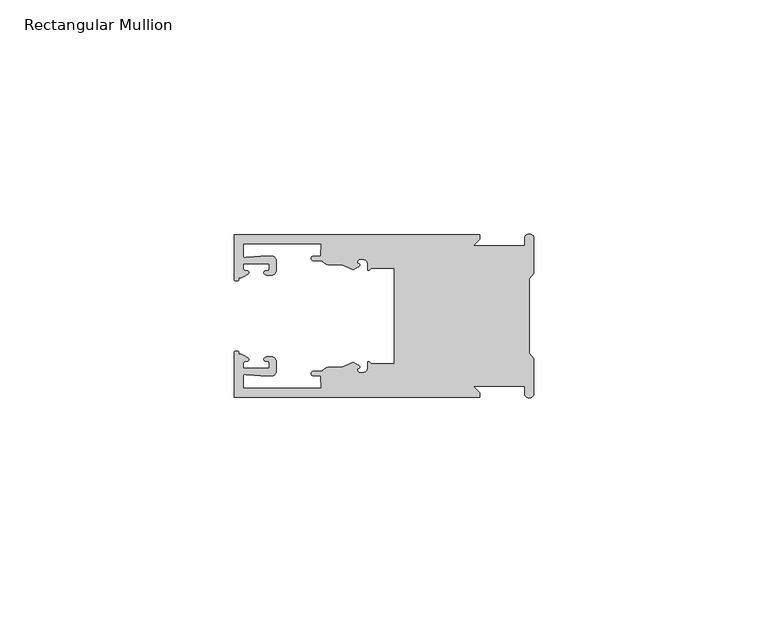
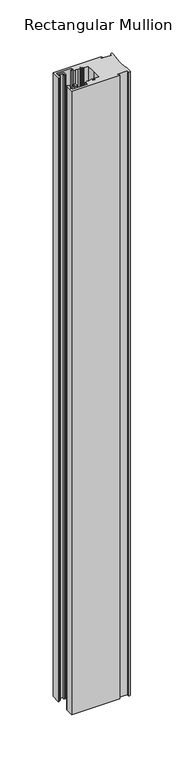
"""IFC4 building model written with IfcOpenShell, lengths in millimetres: member geometry, Rectangular Mullion."""

import ifcopenshell
import ifcopenshell.guid

model = None  # the IFC model being written
_history = None  # IfcOwnerHistory: only IFC2X3 demands one
_inside = {}  # id of a spatial element -> (the spatial element, [elements in it])
_under = {}  # id of a project, library or spatial element -> (it, [spatial elements below it])
_declared = {}  # id of a project -> (the project, [libraries it declares])
_typed = {}  # id of a type object -> (the type object, [elements of that type])
_made_of = {}  # id of a material, layer set ... -> (it, [elements and type objects made of it])


def new_model(schema):
    """Start an empty IFC model of exactly this schema.

    Asked for "IFC4X3", IfcOpenShell would pick the latest addendum, in which some entities
    have other attributes; the version numbers below select the first issue.
    IFC2X3 requires an IfcOwnerHistory on every rooted entity: one is made here for all.
    """
    global model, _history
    if schema == "IFC4X3":
        model = ifcopenshell.file(schema_version=(4, 3, 0, 0))
    else:
        model = ifcopenshell.file(schema=schema)
    _inside.clear()
    _under.clear()
    _declared.clear()
    _typed.clear()
    _made_of.clear()
    _history = None
    if model.schema == "IFC2X3":
        org = make("IfcOrganization", Name="unknown")
        user = make(
            "IfcPersonAndOrganization",
            ThePerson=make("IfcPerson", FamilyName="unknown"),
            TheOrganization=org,
        )
        app = make(
            "IfcApplication",
            ApplicationDeveloper=org,
            Version="unknown",
            ApplicationFullName="unknown",
            ApplicationIdentifier="unknown",
        )
        _history = make(
            "IfcOwnerHistory",
            OwningUser=user,
            OwningApplication=app,
            ChangeAction="ADDED",
            CreationDate=0,
        )
    return model


def make(cls, **values):
    """One entity of the class cls with the attributes given. An attribute that is None is left unset."""
    return model.create_entity(
        cls, **{name: value for name, value in values.items() if value is not None}
    )


def rooted(cls, **values):
    """An entity with a GlobalId (a new one), such as an element, a storey or a relation."""
    return make(cls, GlobalId=ifcopenshell.guid.new(), OwnerHistory=_history, **values)


def si_unit(unit_type, name, prefix=None):
    """IfcSIUnit, for example si_unit("LENGTHUNIT", "METRE", prefix="MILLI")."""
    return make("IfcSIUnit", UnitType=unit_type, Prefix=prefix, Name=name)


def assignment(units):
    """IfcUnitAssignment: the units of a project."""
    return None if units is None else make("IfcUnitAssignment", Units=units)


def point(xyz):
    """IfcCartesianPoint."""
    return None if xyz is None else make("IfcCartesianPoint", Coordinates=xyz)


def direction(xyz):
    """IfcDirection."""
    return None if xyz is None else make("IfcDirection", DirectionRatios=xyz)


def frame(location, z_axis=None, x_axis=None):
    """IfcAxis2Placement3D, a coordinate frame: its origin and axes. An axis left out is left unset."""
    return make(
        "IfcAxis2Placement3D",
        Location=point(location),
        Axis=direction(z_axis),
        RefDirection=direction(x_axis),
    )


def origin():
    """The frame at (0, 0, 0) with its axes left unset."""
    return frame((0.0, 0.0, 0.0))


def place(relative_to, where):
    """IfcLocalPlacement: puts the frame where relative to a parent placement (None: the world)."""
    return make(
        "IfcLocalPlacement", PlacementRelTo=relative_to, RelativePlacement=where
    )


def context(
    kind, dimensions, precision=None, world=None, true_north=None, identifier=None
):
    """IfcGeometricRepresentationContext, for example the 3D "Model" context."""
    return make(
        "IfcGeometricRepresentationContext",
        ContextIdentifier=identifier,
        ContextType=kind,
        CoordinateSpaceDimension=dimensions,
        Precision=precision,
        WorldCoordinateSystem=world,
        TrueNorth=true_north,
    )


def project(units=None, contexts=None):
    """IfcProject with its units and contexts."""
    return rooted(
        "IfcProject",
        Name="project",
        RepresentationContexts=contexts,
        UnitsInContext=assignment(units),
    )


def spatial(cls, under=None, at=None, **own):
    """A site, building, storey or space (cls), placed at a placement, below another one or the project."""
    s = rooted(cls, ObjectPlacement=at, **own)
    if under is not None:
        _under.setdefault(under.id(), (under, []))[1].append(s)
    return s


def polyline(points):
    """IfcPolyline through the points."""
    return make("IfcPolyline", Points=[point(p) for p in points])


def circle_curve(where, radius):
    """IfcCircle in the frame where."""
    return make("IfcCircle", Position=where, Radius=radius)


def shape(context_of_items, identifier, shape_type, items):
    """IfcShapeRepresentation: the items that make up one representation, for example the "Body"."""
    return make(
        "IfcShapeRepresentation",
        ContextOfItems=context_of_items,
        RepresentationIdentifier=identifier,
        RepresentationType=shape_type,
        Items=items,
    )


def source(mapping_origin, context_of_items, identifier, shape_type, items):
    """IfcRepresentationMap: a shape defined once, which mapped items show again and again."""
    return make(
        "IfcRepresentationMap",
        MappingOrigin=mapping_origin,
        MappedRepresentation=shape(context_of_items, identifier, shape_type, items),
    )


def transform(
    local_origin,
    x_axis=None,
    y_axis=None,
    z_axis=None,
    scale=None,
    scale2=None,
    scale3=None,
    uniform=True,
):
    """IfcCartesianTransformationOperator3D, or its non-uniform kind. x_axis, y_axis, z_axis: its Axis1, 2, 3."""
    if uniform:
        return make(
            "IfcCartesianTransformationOperator3D",
            Axis1=direction(x_axis),
            Axis2=direction(y_axis),
            LocalOrigin=point(local_origin),
            Scale=scale,
            Axis3=direction(z_axis),
        )
    return make(
        "IfcCartesianTransformationOperator3DnonUniform",
        Axis1=direction(x_axis),
        Axis2=direction(y_axis),
        LocalOrigin=point(local_origin),
        Scale=scale,
        Axis3=direction(z_axis),
        Scale2=scale2,
        Scale3=scale3,
    )


def mapped(mapping_source, mapping_target):
    """IfcMappedItem: shows the shape of a source again, moved by a transform."""
    return make(
        "IfcMappedItem", MappingSource=mapping_source, MappingTarget=mapping_target
    )


def made_of(thing, what):
    """Note that an element or type object is made of a material, layer set ...; save() writes the relation."""
    if what is not None:
        _made_of.setdefault(what.id(), (what, []))[1].append(thing)
    return thing


def element(
    cls,
    number,
    at=None,
    inside=None,
    cuts=None,
    type_object=None,
    material=None,
    context=None,
    identifier="Body",
    shape_type=None,
    held_by="IfcProductDefinitionShape",
    body=None,
    shapes=None,
    **own,
):
    """One element of the class cls, such as IfcWall. Its Tag is "e" and its number.

    at: its placement. inside: the storey or other place that contains it. cuts: it is an
    opening in that element (IfcRelVoidsElement). A single representation is given by context,
    identifier, shape_type and body (its items); several are given by shapes. held_by: the class
    of the entity that holds the representations. save() writes the other relations.
    """
    e = rooted(cls, Tag="e%d" % number, ObjectPlacement=at, **own)
    if body is not None:
        shapes = [shape(context, identifier, shape_type, body)]
    if shapes is not None:
        e.Representation = make(held_by, Representations=shapes)
    if inside is not None:
        _inside.setdefault(inside.id(), (inside, []))[1].append(e)
    if cuts is not None:
        rooted(
            "IfcRelVoidsElement", RelatingBuildingElement=cuts, RelatedOpeningElement=e
        )
    if type_object is not None:
        _typed.setdefault(type_object.id(), (type_object, []))[1].append(e)
    return made_of(e, material)


def aggregate(whole, parts):
    """IfcRelAggregates: a whole, such as a stair, and the parts it consists of."""
    return rooted("IfcRelAggregates", RelatingObject=whole, RelatedObjects=parts)


def save(model, path):
    """Write the relations noted so far, then the file.

    IfcRelAggregates (storeys below a building ...), IfcRelContainedInSpatialStructure (elements
    in a storey), IfcRelDefinesByType, IfcRelAssociatesMaterial and IfcRelDeclares: one each for
    every whole, place, type object, material and project.
    """
    for whole, parts in _under.values():
        aggregate(whole, parts)
    for where, things in _inside.values():
        rooted(
            "IfcRelContainedInSpatialStructure",
            RelatedElements=things,
            RelatingStructure=where,
        )
    for kind, things in _typed.values():
        rooted("IfcRelDefinesByType", RelatedObjects=things, RelatingType=kind)
    for what, things in _made_of.values():
        rooted("IfcRelAssociatesMaterial", RelatedObjects=things, RelatingMaterial=what)
    for by, libraries in _declared.values():
        rooted("IfcRelDeclares", RelatingContext=by, RelatedDefinitions=libraries)
    model.write(path)


def plane_surface(at):
    """IfcPlane: the flat surface through the origin of the frame at, square to its z axis."""
    return make("IfcPlane", Position=at)


def cylinder_surface(at, radius):
    """IfcCylindricalSurface: all points at the distance radius from the z axis of the frame at."""
    return make("IfcCylindricalSurface", Position=at, Radius=radius)


def revolved_surface(curve, axis_point, axis_direction):
    """IfcSurfaceOfRevolution: the curve turned about the line through axis_point along axis_direction."""
    return make(
        "IfcSurfaceOfRevolution",
        SweptCurve=make("IfcArbitraryOpenProfileDef", ProfileType="CURVE", Curve=curve),
        AxisPosition=make("IfcAxis1Placement", Location=point(axis_point), Axis=direction(axis_direction)),
    )


def extruded_surface(curve, direction_of_extrusion, depth):
    """IfcSurfaceOfLinearExtrusion: the curve pushed along a direction by depth."""
    return make(
        "IfcSurfaceOfLinearExtrusion",
        SweptCurve=make("IfcArbitraryOpenProfileDef", ProfileType="CURVE", Curve=curve),
        ExtrudedDirection=direction(direction_of_extrusion),
        Depth=depth,
    )


def spline_curve(degree, points, multiplicities, knots, weights=None):
    """IfcBSplineCurveWithKnots; with weights, IfcRationalBSplineCurveWithKnots."""
    own = dict(
        Degree=degree,
        ControlPointsList=[point(p) for p in points],
        CurveForm="UNSPECIFIED",
        ClosedCurve=False,
        SelfIntersect=False,
        KnotMultiplicities=multiplicities,
        Knots=knots,
        KnotSpec="UNSPECIFIED",
    )
    if weights is None:
        return make("IfcBSplineCurveWithKnots", **own)
    return make("IfcRationalBSplineCurveWithKnots", WeightsData=weights, **own)


def advanced_brep(points, edges, surfaces, faces):
    """IfcAdvancedBrep: a solid bounded by faces that lie on surfaces and meet in shared edges.

    An edge is (start, end): straight between two places in points (the first is 0);
    or (start, end, curve); or (start, end, curve, False) where it runs against its curve.
    A face is (place in surfaces, loops), or (place, loops, False) where it looks against
    its surface's normal. A loop lists edges by number (the first is 1), with a minus sign
    where the edge is run from its end to its start. The first loop is the outer one.
    """
    corners = [point(p) for p in points]
    vertices = [make("IfcVertexPoint", VertexGeometry=c) for c in corners]
    made = []
    for start, end, *more in edges:
        made.append(
            make(
                "IfcEdgeCurve",
                EdgeStart=vertices[start],
                EdgeEnd=vertices[end],
                EdgeGeometry=more[0] if more else make("IfcPolyline", Points=[corners[start], corners[end]]),
                SameSense=more[1] if len(more) > 1 else True,
            )
        )
    hull = []
    for where, loops, *sense in faces:
        bounds = []
        for j, loop in enumerate(loops):
            ring = [make("IfcOrientedEdge", EdgeElement=made[abs(k) - 1], Orientation=k > 0) for k in loop]
            bounds.append(
                make(
                    "IfcFaceOuterBound" if j == 0 else "IfcFaceBound",
                    Bound=make("IfcEdgeLoop", EdgeList=ring),
                    Orientation=True,
                )
            )
        hull.append(make("IfcAdvancedFace", Bounds=bounds, FaceSurface=surfaces[where], SameSense=sense[0] if sense else True))
    return make("IfcAdvancedBrep", Outer=make("IfcClosedShell", CfsFaces=hull))


def rectangular_mullion_ff7c65ee(model_context):
    return source(origin(), model_context, "Body", "AdvancedBrep", [
        advanced_brep(
        [(-11.5387897, 17.4000478, 0.0), (-64.0387868, 17.4000478, 0.0), (-64.0387868, 7.8350057, 0.0), (-63.2884687, 7.5412947, 0.0), (-62.4614154, 8.1921895, 0.0), (-62.0410649, 9.9426451, 0.0), (-62.0424168, 11.1926444, 0.0), (-56.54242, 11.1985924, 0.0), (-56.5410682, 9.9485931, 0.0), (-57.1085345, 8.7314723, 0.0), (-56.0397166, 8.6991345, 0.0), (-55.0407987, 9.7002154, 0.0), (-55.0430697, 11.8002142, 0.0), (-56.0446364, 12.7991315, 0.0), (-58.3650753, 12.7954945, 0.0), (-61.1340054, 12.5502269, 0.0), (-62.044093, 12.7426435, 0.0), (-62.0469668, 15.4000478, 0.0), (-45.4240312, 15.4000478, 0.0), (-45.5732135, 12.8000478, 0.0), (-47.0387868, 12.8000478, 0.0), (-47.0387868, 11.8000478, 0.0), (-45.2543363, 11.8000478, 0.0), (-43.6387868, 10.9000478, 0.0), (-41.0454034, 10.9000478, 0.0), (-38.5697136, 9.8718293, 0.0), (-37.5387868, 10.4670351, 0.0), (-37.6803436, 11.4201497, 0.0), (-37.0270763, 12.1583697, 0.0), (-36.2010815, 12.0127245, 0.0), (-35.54, 11.2248783, 0.0), (-35.54, 10.0, 0.0), (-34.7705791, 10.25, 0.0), (-29.79, 10.25, 0.0), (-29.79, 0.0, 0.0), (-29.79, -10.25, 0.0), (-34.7705791, -10.25, 0.0), (-35.54, -10.0, 0.0), (-35.54, -11.2248783, 0.0), (-36.2010815, -12.0127245, 0.0), (-37.0270763, -12.1583697, 0.0), (-37.6803436, -11.4201497, 0.0), (-37.5387868, -10.4670351, 0.0), (-38.5697136, -9.8718293, 0.0), (-41.0454034, -10.9000478, 0.0), (-43.6387868, -10.9000478, 0.0), (-45.2543363, -11.8000478, 0.0), (-47.0387868, -11.8000478, 0.0), (-47.0387868, -12.8000478, 0.0), (-45.5732135, -12.8000478, 0.0), (-45.4240312, -15.4000478, 0.0), (-62.0469668, -15.4000478, 0.0), (-62.044093, -12.7426435, 0.0), (-61.1340054, -12.5502269, 0.0), (-58.3650753, -12.7954945, 0.0), (-56.0446364, -12.7991314, 0.0), (-55.0430697, -11.8002142, 0.0), (-55.0407987, -9.7002154, 0.0), (-56.0397166, -8.6991345, 0.0), (-57.1085345, -8.7314723, 0.0), (-56.5410682, -9.9485931, 0.0), (-56.54242, -11.1985924, 0.0), (-62.0424168, -11.1926444, 0.0), (-62.0410649, -9.9426451, 0.0), (-62.4614154, -8.1921895, 0.0), (-63.2884687, -7.5412947, 0.0), (-64.0387868, -7.8350057, 0.0), (-64.0387868, -17.4000478, 0.0), (-11.5387897, -17.4000478, 0.0), (-11.5387897, -16.4000449, 0.0), (-12.9388346, -15.0, 0.0), (-2.0, -15.0, 0.0), (-2.0, -16.5, 0.0), (0.0, -16.5, 0.0), (0.0, -9.1160254, 0.0), (-1.0, -7.9613249, 0.0), (-1.0, 0.0, 0.0), (-1.0, 7.9613249, 0.0), (0.0, 9.1160254, 0.0), (0.0, 16.5, 0.0), (-2.0, 16.5, 0.0), (-2.0, 15.0, 0.0), (-12.9388346, 15.0, 0.0), (-11.5387897, 16.4000449, 0.0), (-11.5387897, 17.4000478, -716.7155358), (-11.5387897, 16.4000449, -716.7155358), (-12.9388346, 15.0, -716.7155358), (-2.0, 15.0, -716.7155358), (-2.0, 16.5, -716.7155358), (0.0, 16.5, -716.7155358), (0.0, 9.1160254, -716.7155358), (-1.0, 7.9613249, -716.7155358), (-1.0, 0.0, -716.7155358), (-1.0, -7.9613249, -716.7155358), (0.0, -9.1160254, -716.7155358), (0.0, -16.5, -716.7155358), (-2.0, -16.5, -716.7155358), (-2.0, -15.0, -716.7155358), (-12.9388346, -15.0, -716.7155358), (-11.5387897, -16.4000449, -716.7155358), (-11.5387897, -17.4000478, -716.7155358), (-64.0387868, -17.4000478, -716.7155358), (-64.0387868, -7.8350057, -716.7155358), (-63.2884687, -7.5412947, -716.7155358), (-62.4614154, -8.1921895, -716.7155358), (-62.0410649, -9.9426451, -716.7155358), (-62.0424168, -11.1926444, -716.7155358), (-56.54242, -11.1985924, -716.7155358), (-56.5410682, -9.9485931, -716.7155358), (-57.1085345, -8.7314723, -716.7155358), (-56.0397166, -8.6991345, -716.7155358), (-55.0407987, -9.7002154, -716.7155358), (-55.0430697, -11.8002142, -716.7155358), (-56.0446364, -12.7991315, -716.7155358), (-58.3650753, -12.7954945, -716.7155358), (-61.1340054, -12.5502269, -716.7155358), (-62.044093, -12.7426435, -716.7155358), (-62.0469668, -15.4000478, -716.7155358), (-45.4240312, -15.4000478, -716.7155358), (-45.5732135, -12.8000478, -716.7155358), (-47.0387868, -12.8000478, -716.7155358), (-47.0387868, -11.8000478, -716.7155358), (-45.2543363, -11.8000478, -716.7155358), (-43.6387868, -10.9000478, -716.7155358), (-41.0454034, -10.9000478, -716.7155358), (-38.5697136, -9.8718293, -716.7155358), (-37.5387868, -10.4670351, -716.7155358), (-37.6803436, -11.4201497, -716.7155358), (-37.0270763, -12.1583697, -716.7155358), (-36.2010815, -12.0127245, -716.7155358), (-35.54, -11.2248783, -716.7155358), (-35.54, -10.0, -716.7155358), (-34.7705791, -10.25, -716.7155358), (-29.79, -10.25, -716.7155358), (-29.79, 0.0, -716.7155358), (-29.79, 10.25, -716.7155358), (-34.7705791, 10.25, -716.7155358), (-35.54, 10.0, -716.7155358), (-35.54, 11.2248783, -716.7155358), (-36.2010815, 12.0127245, -716.7155358), (-37.0270763, 12.1583697, -716.7155358), (-37.6803436, 11.4201497, -716.7155358), (-37.5387868, 10.4670351, -716.7155358), (-38.5697136, 9.8718293, -716.7155358), (-41.0454034, 10.9000478, -716.7155358), (-43.6387868, 10.9000478, -716.7155358), (-45.2543363, 11.8000478, -716.7155358), (-47.0387868, 11.8000478, -716.7155358), (-47.0387868, 12.8000478, -716.7155358), (-45.5732135, 12.8000478, -716.7155358), (-45.4240312, 15.4000478, -716.7155358), (-62.0469668, 15.4000478, -716.7155358), (-62.044093, 12.7426435, -716.7155358), (-61.1340054, 12.5502269, -716.7155358), (-58.3650753, 12.7954945, -716.7155358), (-56.0446364, 12.7991314, -716.7155358), (-55.0430697, 11.8002142, -716.7155358), (-55.0407987, 9.7002154, -716.7155358), (-56.0397166, 8.6991345, -716.7155358), (-57.1085345, 8.7314723, -716.7155358), (-56.5410682, 9.9485931, -716.7155358), (-56.54242, 11.1985924, -716.7155358), (-62.0424168, 11.1926444, -716.7155358), (-62.0410649, 9.9426451, -716.7155358), (-62.4614154, 8.1921895, -716.7155358), (-63.2884687, 7.5412947, -716.7155358), (-64.0387868, 7.8350057, -716.7155358), (-64.0387868, 17.4000478, -716.7155358)],
        [
            (0, 1),
            (1, 2),
            (2, 3, spline_curve(3, [(-64.0387868, 7.8350057, 0.0), (-64.038491377, 7.561831774, 0.0), (-63.788385325, 7.463928087, 0.0), (-63.2884687, 7.5412947, 0.0)], [4, 4], [0.0, 0.0019169337574178654])),
            (3, 4, spline_curve(3, [(-63.2884687, 7.5412947, 0.0), (-63.057760917, 7.582232011, 0.0), (-63.018445067, 7.725390894, 0.0), (-63.019925494, 8.056436881, 0.0), (-63.103444208, 8.236386866, 0.0), (-62.4614154, 8.1921895, 0.0)], [4, 2, 4], [0.0, 0.0010199524164107188, 0.0024874514725970356])),
            (4, 5, spline_curve(3, [(-62.4614154, 8.1921895, 0.0), (-60.988497673, 8.880962536, 0.0), (-60.794045122, 9.192776957, 0.0), (-60.949808078, 9.57023562, 0.0), (-61.145214014, 9.682771697, 0.0), (-61.665835706, 9.714019003, 0.0), (-61.965242574, 9.660891484, 0.0), (-62.0410649, 9.9426451, 0.0)], [4, 2, 2, 4], [0.0, 0.003269869179570428, 0.005490050486237203, 0.0073545767114364426])),
            (5, 6),
            (6, 7),
            (7, 8),
            (8, 9, spline_curve(3, [(-56.5410682, 9.9485931, 0.0), (-56.634838635, 9.597117104, 0.0), (-56.904956774, 9.698238818, 0.0), (-57.324171444, 9.731086209, 0.0), (-57.45969165, 9.646199885, 0.0), (-57.729003352, 9.346016011, 0.0), (-57.859492582, 9.113082158, 0.0), (-57.1085345, 8.7314723, 0.0)], [4, 2, 2, 4], [0.0, 0.001593963049934732, 0.0033360256320283306, 0.005339140673503943])),
            (9, 10),
            (10, 11, circle_curve(frame((-56.0407981, 9.699134, 0.0), z_axis=(0.0, 0.0, 1.0), x_axis=(0.0010814451158627505, -0.9999994152380598, 0.0)), 1.0)),
            (11, 12),
            (12, 13, circle_curve(frame((-56.0430691, 11.7991327, 0.0), z_axis=(0.0, 0.0, 1.0), x_axis=(0.0010814451158627505, -0.9999994152380598, 0.0)), 1.0)),
            (13, 14),
            (14, 15),
            (15, 16, spline_curve(3, [(-61.1340054, 12.5502269, 0.0), (-61.605485428, 12.508463911, 0.0), (-61.992111419, 12.303164326, 0.0), (-62.044093, 12.7426435, 0.0)], [4, 4], [0.0, 0.0014803385355886016])),
            (16, 17),
            (17, 18),
            (18, 19),
            (19, 20),
            (20, 21, circle_curve(frame((-47.0387868, 12.3000478, 0.0), z_axis=(0.0, 0.0, 1.0), x_axis=(0.0, -1.0, 0.0)), 0.5)),
            (21, 22),
            (22, 23, circle_curve(frame((-43.6387868, 12.8000478, 0.0), z_axis=(0.0, 0.0, 1.0), x_axis=(0.0, -1.0, 0.0)), 1.9)),
            (23, 24),
            (24, 25),
            (25, 26),
            (26, 27, spline_curve(3, [(-37.5387868, 10.4670351, 0.0), (-36.973919853, 10.833863985, 0.0), (-37.198159645, 11.135696286, 0.0), (-37.587892011, 11.260246073, 0.0), (-37.754584192, 11.180452419, 0.0), (-37.6803436, 11.4201497, 0.0)], [4, 2, 4], [0.0, 0.0019283703160353726, 0.003394584635652914])),
            (27, 28, circle_curve(frame((-37.0434863, 11.5147359, 0.0), z_axis=(0.0, 0.0, -1.0), x_axis=(0.0, -1.0, 0.0)), 0.643843)),
            (28, 29),
            (29, 30, circle_curve(frame((-36.34, 11.2248783, 0.0), z_axis=(0.0, 0.0, -1.0), x_axis=(0.0, -1.0, 0.0)), 0.8)),
            (30, 31),
            (31, 32, spline_curve(3, [(-35.54, 10.0, 0.0), (-35.440000238, 9.598293201, 0.0), (-35.183526594, 9.681626535, 0.0), (-34.7705791, 10.25, 0.0)], [4, 4], [0.0, 0.0027473296990141553])),
            (32, 33),
            (33, 34),
            (34, 35),
            (35, 36),
            (36, 37, spline_curve(3, [(-34.7705791, -10.25, 0.0), (-35.183526594, -9.681626535, 0.0), (-35.440000238, -9.598293201, 0.0), (-35.54, -10.0, 0.0)], [4, 4], [0.0, 0.0027473296990141553])),
            (37, 38),
            (38, 39, circle_curve(frame((-36.34, -11.2248783, 0.0), z_axis=(0.0, 0.0, -1.0), x_axis=(0.0, 1.0, 0.0)), 0.8)),
            (39, 40),
            (40, 41, circle_curve(frame((-37.0434863, -11.5147359, 0.0), z_axis=(0.0, 0.0, -1.0), x_axis=(0.0, 1.0, 0.0)), 0.643843)),
            (41, 42, spline_curve(3, [(-37.6803436, -11.4201497, 0.0), (-37.754584192, -11.180452419, 0.0), (-37.587892011, -11.260246073, 0.0), (-37.198159645, -11.135696286, 0.0), (-36.973919853, -10.833863985, 0.0), (-37.5387868, -10.4670351, 0.0)], [4, 2, 4], [0.0, 0.0014662143196175414, 0.003394584635652914])),
            (42, 43),
            (43, 44),
            (44, 45),
            (45, 46, circle_curve(frame((-43.6387868, -12.8000478, 0.0), z_axis=(0.0, 0.0, 1.0), x_axis=(0.0, 1.0, 0.0)), 1.9)),
            (46, 47),
            (47, 48, circle_curve(frame((-47.0387868, -12.3000478, 0.0), z_axis=(0.0, 0.0, 1.0), x_axis=(0.0, 1.0, 0.0)), 0.5)),
            (48, 49),
            (49, 50),
            (50, 51),
            (51, 52),
            (52, 53, spline_curve(3, [(-62.044093, -12.7426435, 0.0), (-61.992111419, -12.303164326, 0.0), (-61.605485428, -12.508463911, 0.0), (-61.1340054, -12.5502269, 0.0)], [4, 4], [0.0, 0.0014803385355886016])),
            (53, 54),
            (54, 55),
            (55, 56, circle_curve(frame((-56.0430691, -11.7991327, 0.0), z_axis=(0.0, 0.0, 1.0), x_axis=(0.001081445115855867, 0.9999994152380598, 0.0)), 1.0)),
            (56, 57),
            (57, 58, circle_curve(frame((-56.0407981, -9.699134, 0.0), z_axis=(0.0, 0.0, 1.0), x_axis=(0.001081445115855867, 0.9999994152380598, 0.0)), 1.0)),
            (58, 59),
            (59, 60, spline_curve(3, [(-57.1085345, -8.7314723, 0.0), (-57.859492582, -9.113082158, 0.0), (-57.729003352, -9.346016011, 0.0), (-57.45969165, -9.646199885, 0.0), (-57.324171444, -9.731086209, 0.0), (-56.904956774, -9.698238818, 0.0), (-56.634838635, -9.597117104, 0.0), (-56.5410682, -9.9485931, 0.0)], [4, 2, 2, 4], [0.0, 0.002003115041475612, 0.0037451776235692107, 0.005339140673503943])),
            (60, 61),
            (61, 62),
            (62, 63),
            (63, 64, spline_curve(3, [(-62.0410649, -9.9426451, 0.0), (-61.965242574, -9.660891484, 0.0), (-61.665835706, -9.714019003, 0.0), (-61.145214014, -9.682771697, 0.0), (-60.949808078, -9.57023562, 0.0), (-60.794045122, -9.192776957, 0.0), (-60.988497673, -8.880962536, 0.0), (-62.4614154, -8.1921895, 0.0)], [4, 2, 2, 4], [0.0, 0.0018645262251992395, 0.004084707531866015, 0.0073545767114364426])),
            (64, 65, spline_curve(3, [(-62.4614154, -8.1921895, 0.0), (-63.103444208, -8.236386866, 0.0), (-63.019925494, -8.056436881, 0.0), (-63.018445067, -7.725390894, 0.0), (-63.057760917, -7.582232011, 0.0), (-63.2884687, -7.5412947, 0.0)], [4, 2, 4], [0.0, 0.0014674990561863168, 0.0024874514725970356])),
            (65, 66, spline_curve(3, [(-63.2884687, -7.5412947, 0.0), (-63.788385325, -7.463928087, 0.0), (-64.038491377, -7.561831774, 0.0), (-64.0387868, -7.8350057, 0.0)], [4, 4], [0.0, 0.0019169337574178654])),
            (66, 67),
            (67, 68),
            (68, 69),
            (69, 70),
            (70, 71),
            (71, 72),
            (72, 73, circle_curve(frame((-1.0, -16.5, 0.0), z_axis=(0.0, 0.0, 1.0), x_axis=(0.0, 1.0, 0.0)), 1.0)),
            (73, 74),
            (74, 75),
            (75, 76),
            (76, 77),
            (77, 78),
            (78, 79),
            (79, 80, circle_curve(frame((-1.0, 16.5, 0.0), z_axis=(0.0, 0.0, 1.0), x_axis=(0.0, -1.0, 0.0)), 1.0)),
            (80, 81),
            (81, 82),
            (82, 83),
            (83, 0),
            (84, 85),
            (85, 86),
            (86, 87),
            (87, 88),
            (88, 89, circle_curve(frame((-1.0, 16.5, -716.7155358), z_axis=(0.0, 0.0, -1.0), x_axis=(0.0, -1.0, 0.0)), 1.0)),
            (89, 90),
            (90, 91),
            (91, 92),
            (92, 93),
            (93, 94),
            (94, 95),
            (95, 96, circle_curve(frame((-1.0, -16.5, -716.7155358), z_axis=(0.0, 0.0, -1.0), x_axis=(0.0, 1.0, 0.0)), 1.0)),
            (96, 97),
            (97, 98),
            (98, 99),
            (99, 100),
            (100, 101),
            (101, 102),
            (102, 103, spline_curve(3, [(-64.0387868, -7.8350057, -716.7155358), (-64.038491377, -7.561831774, -716.7155358), (-63.788385325, -7.463928087, -716.7155358), (-63.2884687, -7.5412947, -716.7155358)], [4, 4], [0.0, 0.0019169337574178654])),
            (103, 104, spline_curve(3, [(-63.2884687, -7.5412947, -716.7155358), (-63.057760917, -7.582232011, -716.7155358), (-63.018445067, -7.725390894, -716.7155358), (-63.019925494, -8.056436881, -716.7155358), (-63.103444208, -8.236386866, -716.7155358), (-62.4614154, -8.1921895, -716.7155358)], [4, 2, 4], [0.0, 0.0010199524164107188, 0.0024874514725970356])),
            (104, 105, spline_curve(3, [(-62.4614154, -8.1921895, -716.7155358), (-60.988497673, -8.880962536, -716.7155358), (-60.794045122, -9.192776957, -716.7155358), (-60.949808078, -9.57023562, -716.7155358), (-61.145214014, -9.682771697, -716.7155358), (-61.665835706, -9.714019003, -716.7155358), (-61.965242574, -9.660891484, -716.7155358), (-62.0410649, -9.9426451, -716.7155358)], [4, 2, 2, 4], [0.0, 0.003269869179570428, 0.005490050486237203, 0.0073545767114364426])),
            (105, 106),
            (106, 107),
            (107, 108),
            (108, 109, spline_curve(3, [(-56.5410682, -9.9485931, -716.7155358), (-56.634838635, -9.597117104, -716.7155358), (-56.904956774, -9.698238818, -716.7155358), (-57.324171444, -9.731086209, -716.7155358), (-57.45969165, -9.646199885, -716.7155358), (-57.729003352, -9.346016011, -716.7155358), (-57.859492582, -9.113082158, -716.7155358), (-57.1085345, -8.7314723, -716.7155358)], [4, 2, 2, 4], [0.0, 0.001593963049934732, 0.0033360256320283306, 0.005339140673503943])),
            (109, 110),
            (110, 111, circle_curve(frame((-56.0407981, -9.699134, -716.7155358), z_axis=(0.0, 0.0, -1.0), x_axis=(0.001081445115855867, 0.9999994152380598, 0.0)), 1.0)),
            (111, 112),
            (112, 113, circle_curve(frame((-56.0430691, -11.7991327, -716.7155358), z_axis=(0.0, 0.0, -1.0), x_axis=(0.001081445115855867, 0.9999994152380598, 0.0)), 1.0)),
            (113, 114),
            (114, 115),
            (115, 116, spline_curve(3, [(-61.1340054, -12.5502269, -716.7155358), (-61.605485428, -12.508463911, -716.7155358), (-61.992111419, -12.303164326, -716.7155358), (-62.044093, -12.7426435, -716.7155358)], [4, 4], [0.0, 0.0014803385355886016])),
            (116, 117),
            (117, 118),
            (118, 119),
            (119, 120),
            (120, 121, circle_curve(frame((-47.0387868, -12.3000478, -716.7155358), z_axis=(0.0, 0.0, -1.0), x_axis=(0.0, 1.0, 0.0)), 0.5)),
            (121, 122),
            (122, 123, circle_curve(frame((-43.6387868, -12.8000478, -716.7155358), z_axis=(0.0, 0.0, -1.0), x_axis=(0.0, 1.0, 0.0)), 1.9)),
            (123, 124),
            (124, 125),
            (125, 126),
            (126, 127, spline_curve(3, [(-37.5387868, -10.4670351, -716.7155358), (-36.973919853, -10.833863985, -716.7155358), (-37.198159645, -11.135696286, -716.7155358), (-37.587892011, -11.260246073, -716.7155358), (-37.754584192, -11.180452419, -716.7155358), (-37.6803436, -11.4201497, -716.7155358)], [4, 2, 4], [0.0, 0.0019283703160353726, 0.003394584635652914])),
            (127, 128, circle_curve(frame((-37.0434863, -11.5147359, -716.7155358), z_axis=(0.0, 0.0, 1.0), x_axis=(0.0, 1.0, 0.0)), 0.643843)),
            (128, 129),
            (129, 130, circle_curve(frame((-36.34, -11.2248783, -716.7155358), z_axis=(0.0, 0.0, 1.0), x_axis=(0.0, 1.0, 0.0)), 0.8)),
            (130, 131),
            (131, 132, spline_curve(3, [(-35.54, -10.0, -716.7155358), (-35.440000238, -9.598293201, -716.7155358), (-35.183526594, -9.681626535, -716.7155358), (-34.7705791, -10.25, -716.7155358)], [4, 4], [0.0, 0.0027473296990141553])),
            (132, 133),
            (133, 134),
            (134, 135),
            (135, 136),
            (136, 137, spline_curve(3, [(-34.7705791, 10.25, -716.7155358), (-35.183526594, 9.681626535, -716.7155358), (-35.440000238, 9.598293201, -716.7155358), (-35.54, 10.0, -716.7155358)], [4, 4], [0.0, 0.0027473296990141553])),
            (137, 138),
            (138, 139, circle_curve(frame((-36.34, 11.2248783, -716.7155358), z_axis=(0.0, 0.0, 1.0), x_axis=(0.0, -1.0, 0.0)), 0.8)),
            (139, 140),
            (140, 141, circle_curve(frame((-37.0434863, 11.5147359, -716.7155358), z_axis=(0.0, 0.0, 1.0), x_axis=(0.0, -1.0, 0.0)), 0.643843)),
            (141, 142, spline_curve(3, [(-37.6803436, 11.4201497, -716.7155358), (-37.754584192, 11.180452419, -716.7155358), (-37.587892011, 11.260246073, -716.7155358), (-37.198159645, 11.135696286, -716.7155358), (-36.973919853, 10.833863985, -716.7155358), (-37.5387868, 10.4670351, -716.7155358)], [4, 2, 4], [0.0, 0.0014662143196175414, 0.003394584635652914])),
            (142, 143),
            (143, 144),
            (144, 145),
            (145, 146, circle_curve(frame((-43.6387868, 12.8000478, -716.7155358), z_axis=(0.0, 0.0, -1.0), x_axis=(0.0, -1.0, 0.0)), 1.9)),
            (146, 147),
            (147, 148, circle_curve(frame((-47.0387868, 12.3000478, -716.7155358), z_axis=(0.0, 0.0, -1.0), x_axis=(0.0, -1.0, 0.0)), 0.5)),
            (148, 149),
            (149, 150),
            (150, 151),
            (151, 152),
            (152, 153, spline_curve(3, [(-62.044093, 12.7426435, -716.7155358), (-61.992111419, 12.303164326, -716.7155358), (-61.605485428, 12.508463911, -716.7155358), (-61.1340054, 12.5502269, -716.7155358)], [4, 4], [0.0, 0.0014803385355886016])),
            (153, 154),
            (154, 155),
            (155, 156, circle_curve(frame((-56.0430691, 11.7991327, -716.7155358), z_axis=(0.0, 0.0, -1.0), x_axis=(0.0010814451158627505, -0.9999994152380598, 0.0)), 1.0)),
            (156, 157),
            (157, 158, circle_curve(frame((-56.0407981, 9.699134, -716.7155358), z_axis=(0.0, 0.0, -1.0), x_axis=(0.0010814451158627505, -0.9999994152380598, 0.0)), 1.0)),
            (158, 159),
            (159, 160, spline_curve(3, [(-57.1085345, 8.7314723, -716.7155358), (-57.859492582, 9.113082158, -716.7155358), (-57.729003352, 9.346016011, -716.7155358), (-57.45969165, 9.646199885, -716.7155358), (-57.324171444, 9.731086209, -716.7155358), (-56.904956774, 9.698238818, -716.7155358), (-56.634838635, 9.597117104, -716.7155358), (-56.5410682, 9.9485931, -716.7155358)], [4, 2, 2, 4], [0.0, 0.002003115041475612, 0.0037451776235692107, 0.005339140673503943])),
            (160, 161),
            (161, 162),
            (162, 163),
            (163, 164, spline_curve(3, [(-62.0410649, 9.9426451, -716.7155358), (-61.965242574, 9.660891484, -716.7155358), (-61.665835706, 9.714019003, -716.7155358), (-61.145214014, 9.682771697, -716.7155358), (-60.949808078, 9.57023562, -716.7155358), (-60.794045122, 9.192776957, -716.7155358), (-60.988497673, 8.880962536, -716.7155358), (-62.4614154, 8.1921895, -716.7155358)], [4, 2, 2, 4], [0.0, 0.0018645262251992395, 0.004084707531866015, 0.0073545767114364426])),
            (164, 165, spline_curve(3, [(-62.4614154, 8.1921895, -716.7155358), (-63.103444208, 8.236386866, -716.7155358), (-63.019925494, 8.056436881, -716.7155358), (-63.018445067, 7.725390894, -716.7155358), (-63.057760917, 7.582232011, -716.7155358), (-63.2884687, 7.5412947, -716.7155358)], [4, 2, 4], [0.0, 0.0014674990561863168, 0.0024874514725970356])),
            (165, 166, spline_curve(3, [(-63.2884687, 7.5412947, -716.7155358), (-63.788385325, 7.463928087, -716.7155358), (-64.038491377, 7.561831774, -716.7155358), (-64.0387868, 7.8350057, -716.7155358)], [4, 4], [0.0, 0.0019169337574178654])),
            (166, 167),
            (167, 84),
            (0, 84),
            (167, 1),
            (166, 2),
            (165, 3),
            (164, 4),
            (163, 5),
            (162, 6),
            (161, 7),
            (160, 8),
            (159, 9),
            (158, 10),
            (157, 11),
            (156, 12),
            (155, 13),
            (154, 14),
            (153, 15),
            (152, 16),
            (151, 17),
            (150, 18),
            (149, 19),
            (148, 20),
            (147, 21),
            (146, 22),
            (145, 23),
            (144, 24),
            (143, 25),
            (142, 26),
            (141, 27),
            (140, 28),
            (139, 29),
            (138, 30),
            (137, 31),
            (136, 32),
            (135, 33),
            (134, 34),
            (133, 35),
            (132, 36),
            (131, 37),
            (130, 38),
            (129, 39),
            (128, 40),
            (127, 41),
            (126, 42),
            (125, 43),
            (124, 44),
            (123, 45),
            (122, 46),
            (121, 47),
            (120, 48),
            (119, 49),
            (118, 50),
            (117, 51),
            (116, 52),
            (115, 53),
            (114, 54),
            (113, 55),
            (112, 56),
            (111, 57),
            (110, 58),
            (109, 59),
            (108, 60),
            (107, 61),
            (106, 62),
            (105, 63),
            (104, 64),
            (103, 65),
            (102, 66),
            (101, 67),
            (100, 68),
            (99, 69),
            (98, 70),
            (97, 71),
            (96, 72),
            (95, 73),
            (94, 74),
            (93, 75),
            (92, 76),
            (91, 77),
            (90, 78),
            (89, 79),
            (88, 80),
            (87, 81),
            (86, 82),
            (85, 83),
        ],
        [
            plane_surface(frame((0.0, -66.3605898, 0.0), z_axis=(0.0, 0.0, 1.0), x_axis=(-1.0, 0.0, 0.0))),
            plane_surface(frame((0.0, -66.3605898, -716.7155358), z_axis=(0.0, 0.0, -1.0), x_axis=(-1.0, 0.0, 0.0))),
            plane_surface(frame((-11.5387897, 17.4000478, 0.0), z_axis=(0.0, 1.0, 0.0), x_axis=(0.0, 0.0, -1.0))),
            plane_surface(frame((-64.0387868, 17.4000478, 0.0), z_axis=(-1.0, 0.0, 0.0), x_axis=(0.0, 0.0, -1.0))),
            extruded_surface(spline_curve(3, [(-64.0387868, 7.8350057, -716.7155358), (-64.038491377, 7.561831774, -716.7155358), (-63.788385325, 7.463928087, -716.7155358), (-63.2884687, 7.5412947, -716.7155358)], [4, 4], [0.0, 0.0019169337574178654]), (0.0, 0.0, 716.7155358), 716.7155358),
            extruded_surface(spline_curve(3, [(-63.2884687, 7.5412947, -716.7155358), (-63.057760917, 7.582232011, -716.7155358), (-63.018445067, 7.725390894, -716.7155358), (-63.019925494, 8.056436881, -716.7155358), (-63.103444208, 8.236386866, -716.7155358), (-62.4614154, 8.1921895, -716.7155358)], [4, 2, 4], [0.0, 0.0010199524164107188, 0.0024874514725970356]), (0.0, 0.0, 716.7155358), 716.7155358),
            extruded_surface(spline_curve(3, [(-62.4614154, 8.1921895, -716.7155358), (-60.988497673, 8.880962536, -716.7155358), (-60.794045122, 9.192776957, -716.7155358), (-60.949808078, 9.57023562, -716.7155358), (-61.145214014, 9.682771697, -716.7155358), (-61.665835706, 9.714019003, -716.7155358), (-61.965242574, 9.660891484, -716.7155358), (-62.0410649, 9.9426451, -716.7155358)], [4, 2, 2, 4], [0.0, 0.003269869179570428, 0.005490050486237203, 0.0073545767114364426]), (0.0, 0.0, 716.7155358), 716.7155358),
            plane_surface(frame((-62.0410649, 9.9426451, 0.0), z_axis=(0.9999994152380598, 0.0010814451158593665, 0.0), x_axis=(0.0, 0.0, -1.0))),
            plane_surface(frame((-62.0424168, 11.1926444, 0.0), z_axis=(0.0010814451158611391, -0.9999994152380598, 0.0), x_axis=(0.0, 0.0, -1.0))),
            plane_surface(frame((-56.54242, 11.1985924, 0.0), z_axis=(-0.9999994152380598, -0.0010814451158584516, 0.0), x_axis=(0.0, 0.0, -1.0))),
            extruded_surface(spline_curve(3, [(-56.5410682, 9.9485931, -716.7155358), (-56.634838635, 9.597117104, -716.7155358), (-56.904956774, 9.698238818, -716.7155358), (-57.324171444, 9.731086209, -716.7155358), (-57.45969165, 9.646199885, -716.7155358), (-57.729003352, 9.346016011, -716.7155358), (-57.859492582, 9.113082158, -716.7155358), (-57.1085345, 8.7314723, -716.7155358)], [4, 2, 2, 4], [0.0, 0.001593963049934732, 0.0033360256320283306, 0.005339140673503943]), (0.0, 0.0, 716.7155358), 716.7155358),
            plane_surface(frame((-57.1085345, 8.7314723, 0.0), z_axis=(-0.030241832452869922, -0.9995426111826813, 0.0), x_axis=(0.0, 0.0, -1.0))),
            cylinder_surface(frame((-56.0407981, 9.699134, 0.0), z_axis=(0.0, 0.0, 1.0000000000000002), x_axis=(0.0010814451158627505, -0.9999994152380598, 0.0)), 1.0),
            plane_surface(frame((-55.0407987, 9.7002154, 0.0), z_axis=(0.9999994152380598, 0.001081445115858722, 0.0), x_axis=(0.0, 0.0, -1.0))),
            cylinder_surface(frame((-56.0430691, 11.7991327, 0.0), z_axis=(0.0, 0.0, 1.0000000000000002), x_axis=(0.0010814451158627505, -0.9999994152380598, 0.0)), 1.0),
            plane_surface(frame((-56.0446364, 12.7991314, 0.0), z_axis=(-0.0015673183327907744, 0.9999987717558677, 0.0), x_axis=(0.0, 0.0, -1.0))),
            plane_surface(frame((-58.3650753, 12.7954945, 0.0), z_axis=(-0.08823302167299531, 0.9960998614026874, 0.0), x_axis=(0.0, 0.0, -1.0))),
            extruded_surface(spline_curve(3, [(-61.1340054, 12.5502269, -716.7155358), (-61.605485428, 12.508463911, -716.7155358), (-61.992111419, 12.303164326, -716.7155358), (-62.044093, 12.7426435, -716.7155358)], [4, 4], [0.0, 0.0014803385355886016]), (0.0, 0.0, 716.7155358), 716.7155358),
            plane_surface(frame((-62.044093, 12.7426435, 0.0), z_axis=(0.9999994152380598, 0.0010814451158597813, 0.0), x_axis=(0.0, 0.0, -1.0))),
            plane_surface(frame((-62.0469668, 15.4000478, 0.0), z_axis=(0.0, -1.0, 0.0), x_axis=(0.0, 0.0, -1.0))),
            plane_surface(frame((-45.4240312, 15.4000478, 0.0), z_axis=(-0.9983579461523547, 0.05728360458675776, 0.0), x_axis=(0.0, 0.0, -1.0))),
            plane_surface(frame((-45.5732135, 12.8000478, 0.0), z_axis=(0.0, 1.0, 0.0), x_axis=(0.0, 0.0, -1.0))),
            cylinder_surface(frame((-47.0387868, 12.3000478, 0.0), z_axis=(0.0, 0.0, 1.0), x_axis=(0.0, -1.0, 0.0)), 0.5),
            plane_surface(frame((-47.0387868, 11.8000478, 0.0), z_axis=(0.0, -1.0, 0.0), x_axis=(0.0, 0.0, -1.0))),
            cylinder_surface(frame((-43.6387868, 12.8000478, 0.0), z_axis=(0.0, 0.0, 1.0), x_axis=(0.0, -1.0, 0.0)), 1.9),
            plane_surface(frame((-43.6387868, 10.9000478, 0.0), z_axis=(0.0, -1.0, 0.0), x_axis=(0.0, 0.0, -1.0))),
            plane_surface(frame((-41.0454034, 10.9000478, 0.0), z_axis=(-0.3835602140750569, -0.9235158700199453, 0.0), x_axis=(0.0, 0.0, -1.0))),
            plane_surface(frame((-38.5697136, 9.8718293, 0.0), z_axis=(0.5000000000252295, -0.8660254037698725, 0.0), x_axis=(0.0, 0.0, -1.0))),
            extruded_surface(spline_curve(3, [(-37.5387868, 10.4670351, -716.7155358), (-36.973919853, 10.833863985, -716.7155358), (-37.198159645, 11.135696286, -716.7155358), (-37.587892011, 11.260246073, -716.7155358), (-37.754584192, 11.180452419, -716.7155358), (-37.6803436, 11.4201497, -716.7155358)], [4, 2, 4], [0.0, 0.0019283703160353726, 0.003394584635652914]), (0.0, 0.0, 716.7155358), 716.7155358),
            revolved_surface(polyline([(-37.0434863, 10.8708929, -716.7155358), (-37.0434863, 10.8708929, 0.0)]), (-37.0434863, 11.5147359, 0.0), (0.0, 0.0, -1.0)),
            plane_surface(frame((-37.0270763, 12.1583697, 0.0), z_axis=(-0.17364817767050408, -0.984807753011578, 0.0), x_axis=(0.0, 0.0, -1.0))),
            revolved_surface(polyline([(-36.34, 10.4248783, -716.7155358), (-36.34, 10.4248783, 0.0)]), (-36.34, 11.2248783, 0.0), (0.0, 0.0, -1.0)),
            plane_surface(frame((-35.54, 11.2248783, 0.0), z_axis=(-1.0, 0.0, 0.0), x_axis=(0.0, 0.0, -1.0))),
            extruded_surface(spline_curve(3, [(-35.54, 10.0, -716.7155358), (-35.440000238, 9.598293201, -716.7155358), (-35.183526594, 9.681626535, -716.7155358), (-34.7705791, 10.25, -716.7155358)], [4, 4], [0.0, 0.0027473296990141553]), (0.0, 0.0, 716.7155358), 716.7155358),
            plane_surface(frame((-34.7705791, 10.25, 0.0), z_axis=(0.0, -1.0, 0.0), x_axis=(0.0, 0.0, -1.0))),
            plane_surface(frame((-29.79, 10.25, 0.0), z_axis=(-1.0, 0.0, 0.0), x_axis=(0.0, 0.0, -1.0))),
            plane_surface(frame((-29.79, 0.0, 0.0), z_axis=(-1.0, 0.0, 0.0), x_axis=(0.0, 0.0, -1.0))),
            plane_surface(frame((-29.79, -10.25, 0.0), z_axis=(0.0, 1.0, 0.0), x_axis=(0.0, 0.0, -1.0))),
            extruded_surface(spline_curve(3, [(-34.7705791, -10.25, -716.7155358), (-35.183526594, -9.681626535, -716.7155358), (-35.440000238, -9.598293201, -716.7155358), (-35.54, -10.0, -716.7155358)], [4, 4], [0.0, 0.0027473296990141553]), (0.0, 0.0, 716.7155358), 716.7155358),
            plane_surface(frame((-35.54, -10.0, 0.0), z_axis=(-1.0, 0.0, 0.0), x_axis=(0.0, 0.0, -1.0))),
            revolved_surface(polyline([(-36.34, -10.4248783, -716.7155358), (-36.34, -10.4248783, 0.0)]), (-36.34, -11.2248783, 0.0), (0.0, 0.0, -1.0)),
            plane_surface(frame((-36.2010815, -12.0127245, 0.0), z_axis=(-0.17364817767051083, 0.9848077530115767, 0.0), x_axis=(0.0, 0.0, -1.0))),
            revolved_surface(polyline([(-37.0434863, -10.8708929, -716.7155358), (-37.0434863, -10.8708929, 0.0)]), (-37.0434863, -11.5147359, 0.0), (0.0, 0.0, -1.0)),
            extruded_surface(spline_curve(3, [(-37.6803436, -11.4201497, -716.7155358), (-37.754584192, -11.180452419, -716.7155358), (-37.587892011, -11.260246073, -716.7155358), (-37.198159645, -11.135696286, -716.7155358), (-36.973919853, -10.833863985, -716.7155358), (-37.5387868, -10.4670351, -716.7155358)], [4, 2, 4], [0.0, 0.0014662143196175414, 0.003394584635652914]), (0.0, 0.0, 716.7155358), 716.7155358),
            plane_surface(frame((-37.5387868, -10.4670351, 0.0), z_axis=(0.5000000000252234, 0.8660254037698759, 0.0), x_axis=(0.0, 0.0, -1.0))),
            plane_surface(frame((-38.5697136, -9.8718293, 0.0), z_axis=(-0.38356021407506324, 0.9235158700199426, 0.0), x_axis=(0.0, 0.0, -1.0))),
            plane_surface(frame((-41.0454034, -10.9000478, 0.0), z_axis=(0.0, 1.0, 0.0), x_axis=(0.0, 0.0, -1.0))),
            cylinder_surface(frame((-43.6387868, -12.8000478, 0.0), z_axis=(0.0, 0.0, 1.0), x_axis=(0.0, 1.0, 0.0)), 1.9),
            plane_surface(frame((-45.2543363, -11.8000478, 0.0), z_axis=(0.0, 1.0, 0.0), x_axis=(0.0, 0.0, -1.0))),
            cylinder_surface(frame((-47.0387868, -12.3000478, 0.0), z_axis=(0.0, 0.0, 1.0), x_axis=(0.0, 1.0, 0.0)), 0.5),
            plane_surface(frame((-47.0387868, -12.8000478, 0.0), z_axis=(0.0, -1.0, 0.0), x_axis=(0.0, 0.0, -1.0))),
            plane_surface(frame((-45.5732135, -12.8000478, 0.0), z_axis=(-0.9983579461523543, -0.05728360458676463, 0.0), x_axis=(0.0, 0.0, -1.0))),
            plane_surface(frame((-45.4240312, -15.4000478, 0.0), z_axis=(0.0, 1.0, 0.0), x_axis=(0.0, 0.0, -1.0))),
            plane_surface(frame((-62.0469668, -15.4000478, 0.0), z_axis=(0.9999994152380598, -0.001081445115852898, 0.0), x_axis=(0.0, 0.0, -1.0))),
            extruded_surface(spline_curve(3, [(-62.044093, -12.7426435, -716.7155358), (-61.992111419, -12.303164326, -716.7155358), (-61.605485428, -12.508463911, -716.7155358), (-61.1340054, -12.5502269, -716.7155358)], [4, 4], [0.0, 0.0014803385355886016]), (0.0, 0.0, 716.7155358), 716.7155358),
            plane_surface(frame((-61.1340054, -12.5502269, 0.0), z_axis=(-0.08823302167298844, -0.9960998614026879, 0.0), x_axis=(0.0, 0.0, -1.0))),
            plane_surface(frame((-58.3650753, -12.7954945, 0.0), z_axis=(-0.001567318332783891, -0.9999987717558677, 0.0), x_axis=(0.0, 0.0, -1.0))),
            cylinder_surface(frame((-56.0430691, -11.7991327, 0.0), z_axis=(0.0, 0.0, 1.0000000000000002), x_axis=(0.001081445115855867, 0.9999994152380598, 0.0)), 1.0),
            plane_surface(frame((-55.0430697, -11.8002142, 0.0), z_axis=(0.9999994152380598, -0.0010814451158518386, 0.0), x_axis=(0.0, 0.0, -1.0))),
            cylinder_surface(frame((-56.0407981, -9.699134, 0.0), z_axis=(0.0, 0.0, 1.0000000000000002), x_axis=(0.001081445115855867, 0.9999994152380598, 0.0)), 1.0),
            plane_surface(frame((-56.0397166, -8.6991345, 0.0), z_axis=(-0.030241832452876805, 0.9995426111826811, 0.0), x_axis=(0.0, 0.0, -1.0))),
            extruded_surface(spline_curve(3, [(-57.1085345, -8.7314723, -716.7155358), (-57.859492582, -9.113082158, -716.7155358), (-57.729003352, -9.346016011, -716.7155358), (-57.45969165, -9.646199885, -716.7155358), (-57.324171444, -9.731086209, -716.7155358), (-56.904956774, -9.698238818, -716.7155358), (-56.634838635, -9.597117104, -716.7155358), (-56.5410682, -9.9485931, -716.7155358)], [4, 2, 2, 4], [0.0, 0.002003115041475612, 0.0037451776235692107, 0.005339140673503943]), (0.0, 0.0, 716.7155358), 716.7155358),
            plane_surface(frame((-56.5410682, -9.9485931, 0.0), z_axis=(-0.9999994152380598, 0.0010814451158515682, 0.0), x_axis=(0.0, 0.0, -1.0))),
            plane_surface(frame((-56.54242, -11.1985924, 0.0), z_axis=(0.0010814451158542558, 0.9999994152380598, 0.0), x_axis=(0.0, 0.0, -1.0))),
            plane_surface(frame((-62.0424168, -11.1926444, 0.0), z_axis=(0.9999994152380598, -0.001081445115852483, 0.0), x_axis=(0.0, 0.0, -1.0))),
            extruded_surface(spline_curve(3, [(-62.0410649, -9.9426451, -716.7155358), (-61.965242574, -9.660891484, -716.7155358), (-61.665835706, -9.714019003, -716.7155358), (-61.145214014, -9.682771697, -716.7155358), (-60.949808078, -9.57023562, -716.7155358), (-60.794045122, -9.192776957, -716.7155358), (-60.988497673, -8.880962536, -716.7155358), (-62.4614154, -8.1921895, -716.7155358)], [4, 2, 2, 4], [0.0, 0.0018645262251992395, 0.004084707531866015, 0.0073545767114364426]), (0.0, 0.0, 716.7155358), 716.7155358),
            extruded_surface(spline_curve(3, [(-62.4614154, -8.1921895, -716.7155358), (-63.103444208, -8.236386866, -716.7155358), (-63.019925494, -8.056436881, -716.7155358), (-63.018445067, -7.725390894, -716.7155358), (-63.057760917, -7.582232011, -716.7155358), (-63.2884687, -7.5412947, -716.7155358)], [4, 2, 4], [0.0, 0.0014674990561863168, 0.0024874514725970356]), (0.0, 0.0, 716.7155358), 716.7155358),
            extruded_surface(spline_curve(3, [(-63.2884687, -7.5412947, -716.7155358), (-63.788385325, -7.463928087, -716.7155358), (-64.038491377, -7.561831774, -716.7155358), (-64.0387868, -7.8350057, -716.7155358)], [4, 4], [0.0, 0.0019169337574178654]), (0.0, 0.0, 716.7155358), 716.7155358),
            plane_surface(frame((-64.0387868, -7.8350057, 0.0), z_axis=(-1.0, 0.0, 0.0), x_axis=(0.0, 0.0, -1.0))),
            plane_surface(frame((-64.0387868, -17.4000478, 0.0), z_axis=(0.0, -1.0, 0.0), x_axis=(0.0, 0.0, -1.0))),
            plane_surface(frame((-11.5387897, -17.4000478, 0.0), z_axis=(1.0, 0.0, 0.0), x_axis=(0.0, 0.0, -1.0))),
            plane_surface(frame((-11.5387897, -16.4000449, 0.0), z_axis=(0.7071067811865457, 0.7071067811865493, 0.0), x_axis=(0.0, 0.0, -1.0))),
            plane_surface(frame((-12.9388346, -15.0, 0.0), z_axis=(0.0, -1.0, 0.0), x_axis=(0.0, 0.0, -1.0))),
            plane_surface(frame((-2.0, -15.0, 0.0), z_axis=(-1.0, 0.0, 0.0), x_axis=(0.0, 0.0, -1.0))),
            cylinder_surface(frame((-1.0, -16.5, 0.0), z_axis=(0.0, 0.0, 1.0), x_axis=(0.0, 1.0, 0.0)), 1.0),
            plane_surface(frame((0.0, -16.5, 0.0), z_axis=(1.0, 0.0, 0.0), x_axis=(0.0, 0.0, -1.0))),
            plane_surface(frame((0.0, -9.1160254, 0.0), z_axis=(0.7559289460231527, 0.6546536707025522, 0.0), x_axis=(0.0, 0.0, -1.0))),
            plane_surface(frame((-1.0, -7.9613249, 0.0), z_axis=(1.0, 0.0, 0.0), x_axis=(0.0, 0.0, -1.0))),
            plane_surface(frame((-1.0, 0.0, 0.0), z_axis=(1.0, 0.0, 0.0), x_axis=(0.0, 0.0, -1.0))),
            plane_surface(frame((-1.0, 7.9613249, 0.0), z_axis=(0.7559289460231571, -0.654653670702547, 0.0), x_axis=(0.0, 0.0, -1.0))),
            plane_surface(frame((0.0, 9.1160254, 0.0), z_axis=(1.0, 0.0, 0.0), x_axis=(0.0, 0.0, -1.0))),
            cylinder_surface(frame((-1.0, 16.5, 0.0), z_axis=(0.0, 0.0, 1.0), x_axis=(0.0, -1.0, 0.0)), 1.0),
            plane_surface(frame((-2.0, 16.5, 0.0), z_axis=(-1.0, 0.0, 0.0), x_axis=(0.0, 0.0, -1.0))),
            plane_surface(frame((-2.0, 15.0, 0.0), z_axis=(0.0, 1.0, 0.0), x_axis=(0.0, 0.0, -1.0))),
            plane_surface(frame((-12.9388346, 15.0, 0.0), z_axis=(0.7071067811865507, -0.7071067811865446, 0.0), x_axis=(0.0, 0.0, -1.0))),
            plane_surface(frame((-11.5387897, 16.4000449, 0.0), z_axis=(1.0, 0.0, 0.0), x_axis=(0.0, 0.0, -1.0))),
        ],
        [
            (0, [[1, 2, 3, 4, 5, 6, 7, 8, 9, 10, 11, 12, 13, 14, 15, 16, 17, 18, 19, 20, 21, 22, 23, 24, 25, 26, 27, 28, 29, 30, 31, 32, 33, 34, 35, 36, 37, 38, 39, 40, 41, 42, 43, 44, 45, 46, 47, 48, 49, 50, 51, 52, 53, 54, 55, 56, 57, 58, 59, 60, 61, 62, 63, 64, 65, 66, 67, 68, 69, 70, 71, 72, 73, 74, 75, 76, 77, 78, 79, 80, 81, 82, 83, 84]]),
            (1, [[85, 86, 87, 88, 89, 90, 91, 92, 93, 94, 95, 96, 97, 98, 99, 100, 101, 102, 103, 104, 105, 106, 107, 108, 109, 110, 111, 112, 113, 114, 115, 116, 117, 118, 119, 120, 121, 122, 123, 124, 125, 126, 127, 128, 129, 130, 131, 132, 133, 134, 135, 136, 137, 138, 139, 140, 141, 142, 143, 144, 145, 146, 147, 148, 149, 150, 151, 152, 153, 154, 155, 156, 157, 158, 159, 160, 161, 162, 163, 164, 165, 166, 167, 168]]),
            (2, [[-1, 169, -168, 170]]),
            (3, [[-2, -170, -167, 171]]),
            (4, [[-3, -171, -166, 172]]),
            (5, [[-4, -172, -165, 173]]),
            (6, [[-5, -173, -164, 174]]),
            (7, [[-6, -174, -163, 175]]),
            (8, [[-7, -175, -162, 176]]),
            (9, [[-8, -176, -161, 177]]),
            (10, [[-9, -177, -160, 178]]),
            (11, [[-10, -178, -159, 179]]),
            (12, [[-11, -179, -158, 180]]),
            (13, [[-12, -180, -157, 181]]),
            (14, [[-13, -181, -156, 182]]),
            (15, [[-14, -182, -155, 183]]),
            (16, [[-15, -183, -154, 184]]),
            (17, [[-16, -184, -153, 185]]),
            (18, [[-17, -185, -152, 186]]),
            (19, [[-18, -186, -151, 187]]),
            (20, [[-19, -187, -150, 188]]),
            (21, [[-20, -188, -149, 189]]),
            (22, [[-21, -189, -148, 190]]),
            (23, [[-22, -190, -147, 191]]),
            (24, [[-23, -191, -146, 192]]),
            (25, [[-24, -192, -145, 193]]),
            (26, [[-25, -193, -144, 194]]),
            (27, [[-26, -194, -143, 195]]),
            (28, [[-27, -195, -142, 196]]),
            (29, [[-28, -196, -141, 197]]),
            (30, [[-29, -197, -140, 198]]),
            (31, [[-30, -198, -139, 199]]),
            (32, [[-31, -199, -138, 200]]),
            (33, [[-32, -200, -137, 201]]),
            (34, [[-33, -201, -136, 202]]),
            (35, [[-34, -202, -135, 203]]),
            (36, [[-35, -203, -134, 204]]),
            (37, [[-36, -204, -133, 205]]),
            (38, [[-37, -205, -132, 206]]),
            (39, [[-38, -206, -131, 207]]),
            (40, [[-39, -207, -130, 208]]),
            (41, [[-40, -208, -129, 209]]),
            (42, [[-41, -209, -128, 210]]),
            (43, [[-42, -210, -127, 211]]),
            (44, [[-43, -211, -126, 212]]),
            (45, [[-44, -212, -125, 213]]),
            (46, [[-45, -213, -124, 214]]),
            (47, [[-46, -214, -123, 215]]),
            (48, [[-47, -215, -122, 216]]),
            (49, [[-48, -216, -121, 217]]),
            (50, [[-49, -217, -120, 218]]),
            (51, [[-50, -218, -119, 219]]),
            (52, [[-51, -219, -118, 220]]),
            (53, [[-52, -220, -117, 221]]),
            (54, [[-53, -221, -116, 222]]),
            (55, [[-54, -222, -115, 223]]),
            (56, [[-55, -223, -114, 224]]),
            (57, [[-56, -224, -113, 225]]),
            (58, [[-57, -225, -112, 226]]),
            (59, [[-58, -226, -111, 227]]),
            (60, [[-59, -227, -110, 228]]),
            (61, [[-60, -228, -109, 229]]),
            (62, [[-61, -229, -108, 230]]),
            (63, [[-62, -230, -107, 231]]),
            (64, [[-63, -231, -106, 232]]),
            (65, [[-64, -232, -105, 233]]),
            (66, [[-65, -233, -104, 234]]),
            (67, [[-66, -234, -103, 235]]),
            (68, [[-67, -235, -102, 236]]),
            (69, [[-68, -236, -101, 237]]),
            (70, [[-69, -237, -100, 238]]),
            (71, [[-70, -238, -99, 239]]),
            (72, [[-71, -239, -98, 240]]),
            (73, [[-72, -240, -97, 241]]),
            (74, [[-73, -241, -96, 242]]),
            (75, [[-74, -242, -95, 243]]),
            (76, [[-75, -243, -94, 244]]),
            (77, [[-76, -244, -93, 245]]),
            (78, [[-77, -245, -92, 246]]),
            (79, [[-78, -246, -91, 247]]),
            (80, [[-79, -247, -90, 248]]),
            (81, [[-80, -248, -89, 249]]),
            (82, [[-81, -249, -88, 250]]),
            (83, [[-82, -250, -87, 251]]),
            (84, [[-83, -251, -86, 252]]),
            (85, [[-84, -252, -85, -169]]),
        ],
    ),
    ])


if __name__ == "__main__":
    model = new_model("IFC4")
    model_context = context("Model", 3, world=origin())
    ifc_project = project(units=[si_unit("LENGTHUNIT", "METRE", prefix="MILLI")], contexts=[model_context])
    site = spatial("IfcSite", under=ifc_project)
    building = spatial("IfcBuilding", under=site)
    placement = place(None, origin())
    rectangular_mullion_shape = rectangular_mullion_ff7c65ee(model_context)
    element("IfcMember", 1, ObjectType="Rectangular Mullion", at=placement, inside=building, context=model_context, shape_type="MappedRepresentation", body=[
        mapped(rectangular_mullion_shape, transform((0.0, 0.0, 0.0), x_axis=(1.0, 0.0, 0.0), y_axis=(0.0, 1.0, 0.0), z_axis=(0.0, 0.0, 1.0))),
    ])
    save(model, "model.ifc")
